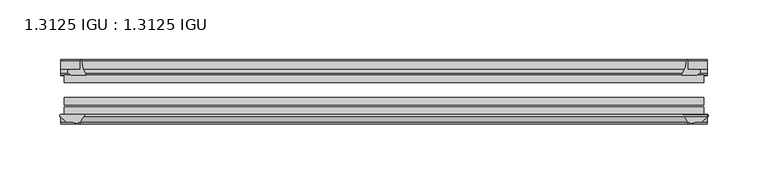
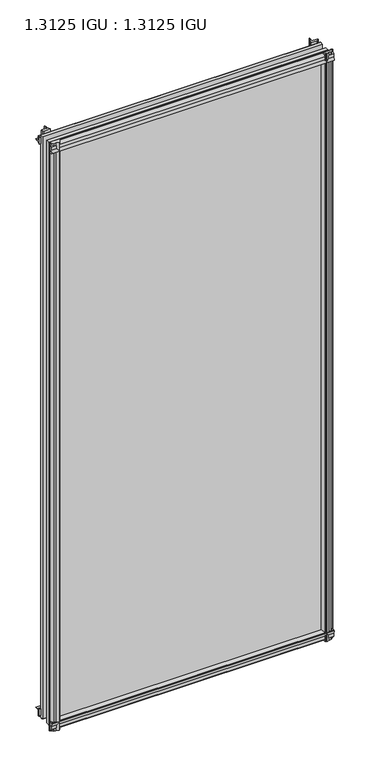
"""IFC4 building model written with IfcOpenShell, lengths in millimetres: plate geometry, 1.3125 IGU : 1.3125 IGU."""

import ifcopenshell
import ifcopenshell.guid

model = None  # the IFC model being written
_history = None  # IfcOwnerHistory: only IFC2X3 demands one
_inside = {}  # id of a spatial element -> (the spatial element, [elements in it])
_under = {}  # id of a project, library or spatial element -> (it, [spatial elements below it])
_declared = {}  # id of a project -> (the project, [libraries it declares])
_typed = {}  # id of a type object -> (the type object, [elements of that type])
_made_of = {}  # id of a material, layer set ... -> (it, [elements and type objects made of it])


def new_model(schema):
    """Start an empty IFC model of exactly this schema.

    Asked for "IFC4X3", IfcOpenShell would pick the latest addendum, in which some entities
    have other attributes; the version numbers below select the first issue.
    IFC2X3 requires an IfcOwnerHistory on every rooted entity: one is made here for all.
    """
    global model, _history
    if schema == "IFC4X3":
        model = ifcopenshell.file(schema_version=(4, 3, 0, 0))
    else:
        model = ifcopenshell.file(schema=schema)
    _inside.clear()
    _under.clear()
    _declared.clear()
    _typed.clear()
    _made_of.clear()
    _history = None
    if model.schema == "IFC2X3":
        org = make("IfcOrganization", Name="unknown")
        user = make(
            "IfcPersonAndOrganization",
            ThePerson=make("IfcPerson", FamilyName="unknown"),
            TheOrganization=org,
        )
        app = make(
            "IfcApplication",
            ApplicationDeveloper=org,
            Version="unknown",
            ApplicationFullName="unknown",
            ApplicationIdentifier="unknown",
        )
        _history = make(
            "IfcOwnerHistory",
            OwningUser=user,
            OwningApplication=app,
            ChangeAction="ADDED",
            CreationDate=0,
        )
    return model


def make(cls, **values):
    """One entity of the class cls with the attributes given. An attribute that is None is left unset."""
    return model.create_entity(
        cls, **{name: value for name, value in values.items() if value is not None}
    )


def rooted(cls, **values):
    """An entity with a GlobalId (a new one), such as an element, a storey or a relation."""
    return make(cls, GlobalId=ifcopenshell.guid.new(), OwnerHistory=_history, **values)


def si_unit(unit_type, name, prefix=None):
    """IfcSIUnit, for example si_unit("LENGTHUNIT", "METRE", prefix="MILLI")."""
    return make("IfcSIUnit", UnitType=unit_type, Prefix=prefix, Name=name)


def assignment(units):
    """IfcUnitAssignment: the units of a project."""
    return None if units is None else make("IfcUnitAssignment", Units=units)


def point(xyz):
    """IfcCartesianPoint."""
    return None if xyz is None else make("IfcCartesianPoint", Coordinates=xyz)


def direction(xyz):
    """IfcDirection."""
    return None if xyz is None else make("IfcDirection", DirectionRatios=xyz)


def frame(location, z_axis=None, x_axis=None):
    """IfcAxis2Placement3D, a coordinate frame: its origin and axes. An axis left out is left unset."""
    return make(
        "IfcAxis2Placement3D",
        Location=point(location),
        Axis=direction(z_axis),
        RefDirection=direction(x_axis),
    )


def frame_2d(location, x_axis=None):
    """IfcAxis2Placement2D, a coordinate frame in the plane: its origin and x axis."""
    return make(
        "IfcAxis2Placement2D", Location=point(location), RefDirection=direction(x_axis)
    )


def origin():
    """The frame at (0, 0, 0) with its axes left unset."""
    return frame((0.0, 0.0, 0.0))


def place(relative_to, where):
    """IfcLocalPlacement: puts the frame where relative to a parent placement (None: the world)."""
    return make(
        "IfcLocalPlacement", PlacementRelTo=relative_to, RelativePlacement=where
    )


def context(
    kind, dimensions, precision=None, world=None, true_north=None, identifier=None
):
    """IfcGeometricRepresentationContext, for example the 3D "Model" context."""
    return make(
        "IfcGeometricRepresentationContext",
        ContextIdentifier=identifier,
        ContextType=kind,
        CoordinateSpaceDimension=dimensions,
        Precision=precision,
        WorldCoordinateSystem=world,
        TrueNorth=true_north,
    )


def project(units=None, contexts=None):
    """IfcProject with its units and contexts."""
    return rooted(
        "IfcProject",
        Name="project",
        RepresentationContexts=contexts,
        UnitsInContext=assignment(units),
    )


def spatial(cls, under=None, at=None, **own):
    """A site, building, storey or space (cls), placed at a placement, below another one or the project."""
    s = rooted(cls, ObjectPlacement=at, **own)
    if under is not None:
        _under.setdefault(under.id(), (under, []))[1].append(s)
    return s


def polyline(points):
    """IfcPolyline through the points."""
    return make("IfcPolyline", Points=[point(p) for p in points])


def circle_curve(where, radius):
    """IfcCircle in the frame where."""
    return make("IfcCircle", Position=where, Radius=radius)


def trimmed(basis, trim1, trim2, sense, master):
    """IfcTrimmedCurve: the piece of a basis curve between two trims."""
    return make(
        "IfcTrimmedCurve",
        BasisCurve=basis,
        Trim1=trim1,
        Trim2=trim2,
        SenseAgreement=sense,
        MasterRepresentation=master,
    )


def segment(curve, same_sense, transition):
    """IfcCompositeCurveSegment."""
    return make(
        "IfcCompositeCurveSegment",
        Transition=transition,
        SameSense=same_sense,
        ParentCurve=curve,
    )


def composite_curve(segments, self_intersect=None):
    """IfcCompositeCurve: segments joined end to end."""
    return make("IfcCompositeCurve", Segments=segments, SelfIntersect=self_intersect)


def outline(outer, holes=None, kind="AREA"):
    """IfcArbitraryClosedProfileDef: a profile drawn as a closed curve; with holes, ...WithVoids."""
    if holes is None:
        return make("IfcArbitraryClosedProfileDef", ProfileType=kind, OuterCurve=outer)
    return make(
        "IfcArbitraryProfileDefWithVoids",
        ProfileType=kind,
        OuterCurve=outer,
        InnerCurves=holes,
    )


def extrude(swept, where, along, depth):
    """IfcExtrudedAreaSolid: the profile swept, set in the frame where, extruded along a direction by depth."""
    return make(
        "IfcExtrudedAreaSolid",
        SweptArea=swept,
        Position=where,
        ExtrudedDirection=direction(along),
        Depth=depth,
    )


def shape(context_of_items, identifier, shape_type, items):
    """IfcShapeRepresentation: the items that make up one representation, for example the "Body"."""
    return make(
        "IfcShapeRepresentation",
        ContextOfItems=context_of_items,
        RepresentationIdentifier=identifier,
        RepresentationType=shape_type,
        Items=items,
    )


def source(mapping_origin, context_of_items, identifier, shape_type, items):
    """IfcRepresentationMap: a shape defined once, which mapped items show again and again."""
    return make(
        "IfcRepresentationMap",
        MappingOrigin=mapping_origin,
        MappedRepresentation=shape(context_of_items, identifier, shape_type, items),
    )


def transform(
    local_origin,
    x_axis=None,
    y_axis=None,
    z_axis=None,
    scale=None,
    scale2=None,
    scale3=None,
    uniform=True,
):
    """IfcCartesianTransformationOperator3D, or its non-uniform kind. x_axis, y_axis, z_axis: its Axis1, 2, 3."""
    if uniform:
        return make(
            "IfcCartesianTransformationOperator3D",
            Axis1=direction(x_axis),
            Axis2=direction(y_axis),
            LocalOrigin=point(local_origin),
            Scale=scale,
            Axis3=direction(z_axis),
        )
    return make(
        "IfcCartesianTransformationOperator3DnonUniform",
        Axis1=direction(x_axis),
        Axis2=direction(y_axis),
        LocalOrigin=point(local_origin),
        Scale=scale,
        Axis3=direction(z_axis),
        Scale2=scale2,
        Scale3=scale3,
    )


def mapped(mapping_source, mapping_target):
    """IfcMappedItem: shows the shape of a source again, moved by a transform."""
    return make(
        "IfcMappedItem", MappingSource=mapping_source, MappingTarget=mapping_target
    )


def made_of(thing, what):
    """Note that an element or type object is made of a material, layer set ...; save() writes the relation."""
    if what is not None:
        _made_of.setdefault(what.id(), (what, []))[1].append(thing)
    return thing


def element(
    cls,
    number,
    at=None,
    inside=None,
    cuts=None,
    type_object=None,
    material=None,
    context=None,
    identifier="Body",
    shape_type=None,
    held_by="IfcProductDefinitionShape",
    body=None,
    shapes=None,
    **own,
):
    """One element of the class cls, such as IfcWall. Its Tag is "e" and its number.

    at: its placement. inside: the storey or other place that contains it. cuts: it is an
    opening in that element (IfcRelVoidsElement). A single representation is given by context,
    identifier, shape_type and body (its items); several are given by shapes. held_by: the class
    of the entity that holds the representations. save() writes the other relations.
    """
    e = rooted(cls, Tag="e%d" % number, ObjectPlacement=at, **own)
    if body is not None:
        shapes = [shape(context, identifier, shape_type, body)]
    if shapes is not None:
        e.Representation = make(held_by, Representations=shapes)
    if inside is not None:
        _inside.setdefault(inside.id(), (inside, []))[1].append(e)
    if cuts is not None:
        rooted(
            "IfcRelVoidsElement", RelatingBuildingElement=cuts, RelatedOpeningElement=e
        )
    if type_object is not None:
        _typed.setdefault(type_object.id(), (type_object, []))[1].append(e)
    return made_of(e, material)


def aggregate(whole, parts):
    """IfcRelAggregates: a whole, such as a stair, and the parts it consists of."""
    return rooted("IfcRelAggregates", RelatingObject=whole, RelatedObjects=parts)


def save(model, path):
    """Write the relations noted so far, then the file.

    IfcRelAggregates (storeys below a building ...), IfcRelContainedInSpatialStructure (elements
    in a storey), IfcRelDefinesByType, IfcRelAssociatesMaterial and IfcRelDeclares: one each for
    every whole, place, type object, material and project.
    """
    for whole, parts in _under.values():
        aggregate(whole, parts)
    for where, things in _inside.values():
        rooted(
            "IfcRelContainedInSpatialStructure",
            RelatedElements=things,
            RelatingStructure=where,
        )
    for kind, things in _typed.values():
        rooted("IfcRelDefinesByType", RelatedObjects=things, RelatingType=kind)
    for what, things in _made_of.values():
        rooted("IfcRelAssociatesMaterial", RelatedObjects=things, RelatingMaterial=what)
    for by, libraries in _declared.values():
        rooted("IfcRelDeclares", RelatingContext=by, RelatedDefinitions=libraries)
    model.write(path)


def plate_1_3125_igu_1_3125_igu_0f41afec(model_context):
    return source(origin(), model_context, "Body", "SweptSolid", [
        extrude(outline(composite_curve([segment(polyline([(-22.094825, 0.0), (-22.094825, -9.916835)]), True, "CONTINUOUS"), segment(trimmed(circle_curve(frame_2d((-23.669625, -9.916835)), 1.5748), [point((-22.094825, -9.916835))], [point((-24.8706146, -10.9354709))], False, "CARTESIAN"), True, "CONTINUOUS"), segment(polyline([(-24.8706146, -10.9354709), (-26.590625, -8.9075484), (-26.590625, 4.0446407)]), True, "CONTINUOUS"), segment(trimmed(circle_curve(frame_2d((-7.1839113, 38.4138813)), 39.4698015), [point((-26.590625, 4.0446407))], [point((-19.4504626, 0.8985917))], True, "CARTESIAN"), True, "CONTINUOUS"), segment(polyline([(-19.4504626, 0.8985917), (-13.3986538, 0.0), (-22.094825, 0.0)]), True, "CONTINUOUS")], self_intersect=False)), frame((-271.0684763, 0.0, 0.0), z_axis=(1.0, 0.0, 0.0), x_axis=(0.0, 1.0, 0.0)), (0.0, 0.0, 1.0), 542.1369525),
        extrude(outline(composite_curve([segment(trimmed(circle_curve(frame_2d((-67.8737919, 9.6311377)), 10.5748618), [point((-66.062225, -0.7874))], [point((-59.712225, 2.9068141))], True, "CARTESIAN"), True, "CONTINUOUS"), segment(polyline([(-59.712225, 2.9068141), (-59.712225, -18.0442511)]), True, "CONTINUOUS"), segment(trimmed(circle_curve(frame_2d((-60.728225, -18.0442511)), 1.016), [point((-59.712225, -18.0442511))], [point((-61.4950672, -18.7107412))], False, "CARTESIAN"), True, "CONTINUOUS"), segment(polyline([(-61.4950672, -18.7107412), (-66.062225, -13.4559149), (-66.062225, -7.4520336), (-67.637025, -1.5748), (-66.062225, -1.5748), (-66.062225, -0.7874)]), True, "CONTINUOUS")], self_intersect=False)), frame((-271.0684763, 0.0, 0.0), z_axis=(1.0, 0.0, 0.0), x_axis=(0.0, 1.0, 0.0)), (0.0, 0.0, 1.0), 542.1369525),
        extrude(outline(composite_curve([segment(polyline([(-66.062225, 1169.1098774), (-61.4950672, 1174.3647037)]), True, "CONTINUOUS"), segment(trimmed(circle_curve(frame_2d((-60.728225, 1173.6982136)), 1.016), [point((-61.4950672, 1174.3647037))], [point((-59.712225, 1173.6982136))], False, "CARTESIAN"), True, "CONTINUOUS"), segment(polyline([(-59.712225, 1173.6982136), (-59.712225, 1153.1730921)]), True, "CONTINUOUS"), segment(trimmed(circle_curve(frame_2d((-66.4211348, 1147.5432283)), 8.7581298), [point((-59.712225, 1153.1730921))], [point((-66.062225, 1156.2940009))], True, "CARTESIAN"), True, "CONTINUOUS"), segment(polyline([(-66.062225, 1156.2940009), (-66.062225, 1157.2287625), (-67.637025, 1157.2287625), (-66.062225, 1163.1059961), (-66.062225, 1169.1098774)]), True, "CONTINUOUS")], self_intersect=False)), frame((-271.0684763, 0.0, 0.0), z_axis=(1.0, 0.0, 0.0), x_axis=(0.0, 1.0, 0.0)), (0.0, 0.0, 1.0), 542.1369525),
        extrude(outline(composite_curve([segment(polyline([(-26.590625, 1151.6093218), (-26.590625, 1164.5615109), (-24.8706146, 1166.5894334)]), True, "CONTINUOUS"), segment(trimmed(circle_curve(frame_2d((-23.669625, 1165.5707975)), 1.5748), [point((-24.8706146, 1166.5894334))], [point((-22.094825, 1165.5707975))], False, "CARTESIAN"), True, "CONTINUOUS"), segment(polyline([(-22.094825, 1165.5707975), (-22.094825, 1155.7), (-14.5883882, 1155.7), (-18.3240316, 1154.9133459)]), True, "CONTINUOUS"), segment(trimmed(circle_curve(frame_2d((-16.4585419, 1142.284903)), 12.7654855), [point((-18.3240316, 1154.9133459))], [point((-20.5939581, 1154.3619869))], True, "CARTESIAN"), True, "CONTINUOUS"), segment(trimmed(circle_curve(frame_2d((-7.1839113, 1117.2400812)), 39.4698015), [point((-20.5939581, 1154.3619869))], [point((-26.590625, 1151.6093218))], True, "CARTESIAN"), True, "CONTINUOUS")], self_intersect=False)), frame((-271.0684763, 0.0, 0.0), z_axis=(1.0, 0.0, 0.0), x_axis=(0.0, 1.0, 0.0)), (0.0, 0.0, 1.0), 542.1369525),
        extrude(outline(composite_curve([segment(polyline([(262.9075484, -26.590625), (249.9553593, -26.590625)]), True, "CONTINUOUS"), segment(trimmed(circle_curve(frame_2d((215.5861187, -7.1839113)), 39.4698015), [point((249.9553593, -26.590625))], [point((253.1014083, -19.4504626))], True, "CARTESIAN"), True, "CONTINUOUS"), segment(polyline([(253.1014083, -19.4504626), (253.7472834, -15.1006424)]), True, "CONTINUOUS"), segment(trimmed(circle_curve(frame_2d((254.5267687, -15.2120036)), 0.7874), [point((253.7472834, -15.1006424))], [point((254.79375, -14.4712474))], False, "CARTESIAN"), True, "CONTINUOUS"), segment(polyline([(254.79375, -14.4712474), (254.79375, -22.094825), (263.916835, -22.094825)]), True, "CONTINUOUS"), segment(trimmed(circle_curve(frame_2d((263.916835, -23.669625)), 1.5748), [point((263.916835, -22.094825))], [point((264.9354709, -24.8706146))], False, "CARTESIAN"), True, "CONTINUOUS"), segment(polyline([(264.9354709, -24.8706146), (262.9075484, -26.590625)]), True, "CONTINUOUS")], self_intersect=False)), frame((0.0, 0.0, -18.2728511), z_axis=(0.0, 0.0, 1.0), x_axis=(1.0, 0.0, 0.0)), (0.0, 0.0, 1.0), 1193.2852548),
        extrude(outline(composite_curve([segment(polyline([(250.6489748, -59.712225), (271.2094015, -59.712225)]), True, "CONTINUOUS"), segment(trimmed(circle_curve(frame_2d((271.2094015, -60.728225)), 1.016), [point((271.2094015, -59.712225))], [point((271.8758916, -61.4950672))], False, "CARTESIAN"), True, "CONTINUOUS"), segment(polyline([(271.8758916, -61.4950672), (266.6210653, -66.062225), (262.6458336, -66.062225), (256.7686, -67.637025), (256.7686, -66.062225), (255.6782443, -66.062225)]), True, "CONTINUOUS"), segment(trimmed(circle_curve(frame_2d((255.6782443, -66.849625)), 0.7874), [point((255.6782443, -66.062225))], [point((254.9005385, -66.7264485))], True, "CARTESIAN"), True, "CONTINUOUS"), segment(trimmed(circle_curve(frame_2d((241.8352219, -69.8501675)), 13.4335445), [point((254.9005385, -66.7264485))], [point((250.6489748, -59.712225))], True, "CARTESIAN"), True, "CONTINUOUS")], self_intersect=False)), frame((0.0, 0.0, -18.2728511), z_axis=(0.0, 0.0, 1.0), x_axis=(1.0, 0.0, 0.0)), (0.0, 0.0, 1.0), 1193.2852548),
        extrude(outline(composite_curve([segment(polyline([(-253.7472834, -15.1006424), (-253.2728683, -18.2957187)]), True, "CONTINUOUS"), segment(trimmed(circle_curve(frame_2d((-240.7105951, -16.4304327)), 12.7), [point((-253.2728683, -18.2957187))], [point((-252.7241235, -20.5493081))], True, "CARTESIAN"), True, "CONTINUOUS"), segment(trimmed(circle_curve(frame_2d((-215.5861187, -7.1839113)), 39.4698015), [point((-252.7241235, -20.5493081))], [point((-249.9553593, -26.590625))], True, "CARTESIAN"), True, "CONTINUOUS"), segment(polyline([(-249.9553593, -26.590625), (-262.9075484, -26.590625), (-264.9354709, -24.8706146)]), True, "CONTINUOUS"), segment(trimmed(circle_curve(frame_2d((-263.916835, -23.669625)), 1.5748), [point((-264.9354709, -24.8706146))], [point((-263.916835, -22.094825))], False, "CARTESIAN"), True, "CONTINUOUS"), segment(polyline([(-263.916835, -22.094825), (-254.762, -22.094825), (-254.762, -14.4605617)]), True, "CONTINUOUS"), segment(trimmed(circle_curve(frame_2d((-254.5267687, -15.2120036)), 0.7874), [point((-254.762, -14.4605617))], [point((-253.7472834, -15.1006424))], False, "CARTESIAN"), True, "CONTINUOUS")], self_intersect=False)), frame((0.0, 0.0, -18.2728511), z_axis=(0.0, 0.0, 1.0), x_axis=(1.0, 0.0, 0.0)), (0.0, 0.0, 1.0), 1193.6347648),
        extrude(outline(composite_curve([segment(trimmed(circle_curve(frame_2d((-241.8352219, -69.8501675)), 13.4335445), [point((-250.6489748, -59.712225))], [point((-254.9005385, -66.7264485))], True, "CARTESIAN"), True, "CONTINUOUS"), segment(trimmed(circle_curve(frame_2d((-255.6782443, -66.849625)), 0.7874), [point((-254.9005385, -66.7264485))], [point((-255.6782443, -66.062225))], True, "CARTESIAN"), True, "CONTINUOUS"), segment(polyline([(-255.6782443, -66.062225), (-256.7686, -66.062225), (-256.7686, -67.637025), (-262.6458336, -66.062225), (-266.6210653, -66.062225), (-271.8758916, -61.4950672)]), True, "CONTINUOUS"), segment(trimmed(circle_curve(frame_2d((-271.2094015, -60.728225)), 1.016), [point((-271.8758916, -61.4950672))], [point((-271.2094015, -59.712225))], False, "CARTESIAN"), True, "CONTINUOUS"), segment(polyline([(-271.2094015, -59.712225), (-250.6489748, -59.712225)]), True, "CONTINUOUS")], self_intersect=False)), frame((0.0, 0.0, -18.2728511), z_axis=(0.0, 0.0, 1.0), x_axis=(1.0, 0.0, 0.0)), (0.0, 0.0, 1.0), 1193.6347648),
        extrude(outline(polyline([(-268.2875, -26.590625), (268.2875, -26.590625), (268.2875, -32.889825), (-268.2875, -32.889825), (-268.2875, -26.590625)])), frame((0.0, 0.0, -12.8524), z_axis=(0.0, 0.0, 1.0), x_axis=(1.0, 0.0, 0.0)), (0.0, 0.0, 1.0), 1182.7938625),
        extrude(outline(polyline([(268.2875, -45.589825), (268.2875, -51.889025), (-268.2875, -51.889025), (-268.2875, -45.589825), (268.2875, -45.589825)])), frame((0.0, 0.0, -12.8524), z_axis=(0.0, 0.0, 1.0), x_axis=(1.0, 0.0, 0.0)), (0.0, 0.0, 1.0), 1182.7938625),
        extrude(outline(polyline([(268.2875, -53.413025), (268.2875, -59.712225), (-268.2875, -59.712225), (-268.2875, -53.413025), (268.2875, -53.413025)])), frame((0.0, 0.0, -12.8524), z_axis=(0.0, 0.0, 1.0), x_axis=(1.0, 0.0, 0.0)), (0.0, 0.0, 1.0), 1182.7938625),
    ])


if __name__ == "__main__":
    model = new_model("IFC4")
    model_context = context("Model", 3, world=origin())
    ifc_project = project(units=[si_unit("LENGTHUNIT", "METRE", prefix="MILLI")], contexts=[model_context])
    site = spatial("IfcSite", under=ifc_project)
    building = spatial("IfcBuilding", under=site)
    placement = place(None, origin())
    plate_1_3125_igu_1_3125_igu_shape = plate_1_3125_igu_1_3125_igu_0f41afec(model_context)
    element("IfcPlate", 1, ObjectType="1.3125 IGU : 1.3125 IGU", at=placement, inside=building, context=model_context, shape_type="MappedRepresentation", body=[
        mapped(plate_1_3125_igu_1_3125_igu_shape, transform((0.0, 0.0, 0.0), x_axis=(1.0, 0.0, 0.0), y_axis=(0.0, 1.0, 0.0), z_axis=(0.0, 0.0, 1.0))),
    ])
    save(model, "model.ifc")
